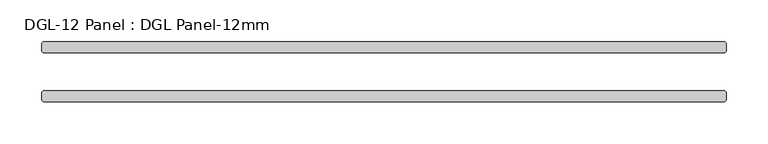
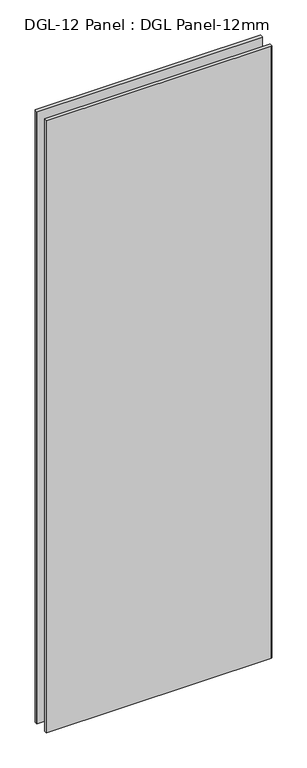
"""IFC4 building model written with IfcOpenShell, lengths in millimetres: plate geometry, DGL-12 Panel : DGL Panel-12mm."""

from ifc_helpers import new_model, si_unit, origin, origin_with_axes, place, context, project, spatial, polyline, outline, extrude, source, transform, mapped, element, save


def dgl_12_panel_dgl_panel_12mm_058a8037(model_context):
    return source(origin(), model_context, "Body", "SweptSolid", [
        extrude(outline(polyline([(406.9970826, 22.9195313), (-406.9970826, 22.9195313), (-408.5845826, 24.5070313), (-408.5845826, 34.0320313), (-406.9970826, 35.6195313), (406.9970826, 35.6195313), (408.5845826, 34.0320313), (408.5845826, 24.5070313), (406.9970826, 22.9195313)])), origin_with_axes(), (0.0, 0.0, 1.0), 2339.4648576),
        extrude(outline(polyline([(406.9970826, -35.6195312), (-406.9970826, -35.6195312), (-408.5845826, -34.0320312), (-408.5845826, -24.5070312), (-406.9970826, -22.9195312), (406.9970826, -22.9195312), (408.5845826, -24.5070312), (408.5845826, -34.0320312), (406.9970826, -35.6195312)])), origin_with_axes(), (0.0, 0.0, 1.0), 2339.4648576),
    ])


if __name__ == "__main__":
    model = new_model("IFC4")
    model_context = context("Model", 3, world=origin())
    ifc_project = project(units=[si_unit("LENGTHUNIT", "METRE", prefix="MILLI")], contexts=[model_context])
    site = spatial("IfcSite", under=ifc_project)
    building = spatial("IfcBuilding", under=site)
    placement = place(None, origin())
    dgl_12_panel_dgl_panel_12mm_shape = dgl_12_panel_dgl_panel_12mm_058a8037(model_context)
    element("IfcPlate", 1, ObjectType="DGL-12 Panel : DGL Panel-12mm", at=placement, inside=building, context=model_context, shape_type="MappedRepresentation", body=[
        mapped(dgl_12_panel_dgl_panel_12mm_shape, transform((0.0, 0.0, 0.0), x_axis=(1.0, 0.0, 0.0), y_axis=(0.0, 1.0, 0.0), z_axis=(0.0, 0.0, 1.0))),
    ])
    save(model, "model.ifc")
